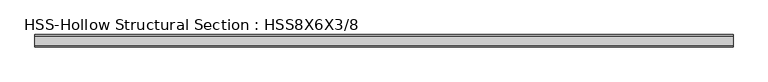
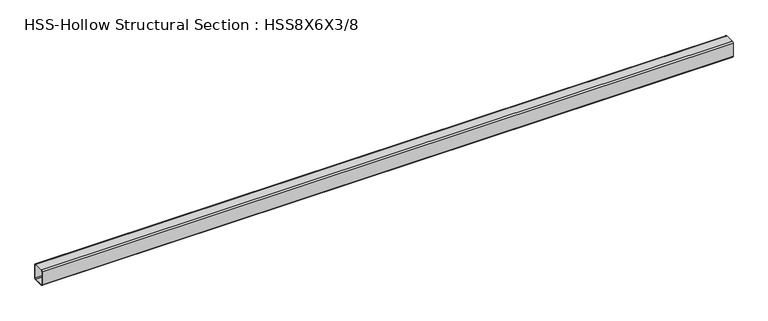
"""IFC4 building model written with IfcOpenShell, lengths in millimetres: beam geometry, HSS-Hollow Structural Section : HSS8X6X3/8."""

import ifcopenshell
import ifcopenshell.guid

model = None  # the IFC model being written
_history = None  # IfcOwnerHistory: only IFC2X3 demands one
_inside = {}  # id of a spatial element -> (the spatial element, [elements in it])
_under = {}  # id of a project, library or spatial element -> (it, [spatial elements below it])
_declared = {}  # id of a project -> (the project, [libraries it declares])
_typed = {}  # id of a type object -> (the type object, [elements of that type])
_made_of = {}  # id of a material, layer set ... -> (it, [elements and type objects made of it])


def new_model(schema):
    """Start an empty IFC model of exactly this schema.

    Asked for "IFC4X3", IfcOpenShell would pick the latest addendum, in which some entities
    have other attributes; the version numbers below select the first issue.
    IFC2X3 requires an IfcOwnerHistory on every rooted entity: one is made here for all.
    """
    global model, _history
    if schema == "IFC4X3":
        model = ifcopenshell.file(schema_version=(4, 3, 0, 0))
    else:
        model = ifcopenshell.file(schema=schema)
    _inside.clear()
    _under.clear()
    _declared.clear()
    _typed.clear()
    _made_of.clear()
    _history = None
    if model.schema == "IFC2X3":
        org = make("IfcOrganization", Name="unknown")
        user = make(
            "IfcPersonAndOrganization",
            ThePerson=make("IfcPerson", FamilyName="unknown"),
            TheOrganization=org,
        )
        app = make(
            "IfcApplication",
            ApplicationDeveloper=org,
            Version="unknown",
            ApplicationFullName="unknown",
            ApplicationIdentifier="unknown",
        )
        _history = make(
            "IfcOwnerHistory",
            OwningUser=user,
            OwningApplication=app,
            ChangeAction="ADDED",
            CreationDate=0,
        )
    return model


def make(cls, **values):
    """One entity of the class cls with the attributes given. An attribute that is None is left unset."""
    return model.create_entity(
        cls, **{name: value for name, value in values.items() if value is not None}
    )


def rooted(cls, **values):
    """An entity with a GlobalId (a new one), such as an element, a storey or a relation."""
    return make(cls, GlobalId=ifcopenshell.guid.new(), OwnerHistory=_history, **values)


def si_unit(unit_type, name, prefix=None):
    """IfcSIUnit, for example si_unit("LENGTHUNIT", "METRE", prefix="MILLI")."""
    return make("IfcSIUnit", UnitType=unit_type, Prefix=prefix, Name=name)


def assignment(units):
    """IfcUnitAssignment: the units of a project."""
    return None if units is None else make("IfcUnitAssignment", Units=units)


def point(xyz):
    """IfcCartesianPoint."""
    return None if xyz is None else make("IfcCartesianPoint", Coordinates=xyz)


def direction(xyz):
    """IfcDirection."""
    return None if xyz is None else make("IfcDirection", DirectionRatios=xyz)


def frame(location, z_axis=None, x_axis=None):
    """IfcAxis2Placement3D, a coordinate frame: its origin and axes. An axis left out is left unset."""
    return make(
        "IfcAxis2Placement3D",
        Location=point(location),
        Axis=direction(z_axis),
        RefDirection=direction(x_axis),
    )


def frame_2d(location, x_axis=None):
    """IfcAxis2Placement2D, a coordinate frame in the plane: its origin and x axis."""
    return make(
        "IfcAxis2Placement2D", Location=point(location), RefDirection=direction(x_axis)
    )


def origin():
    """The frame at (0, 0, 0) with its axes left unset."""
    return frame((0.0, 0.0, 0.0))


def place(relative_to, where):
    """IfcLocalPlacement: puts the frame where relative to a parent placement (None: the world)."""
    return make(
        "IfcLocalPlacement", PlacementRelTo=relative_to, RelativePlacement=where
    )


def context(
    kind, dimensions, precision=None, world=None, true_north=None, identifier=None
):
    """IfcGeometricRepresentationContext, for example the 3D "Model" context."""
    return make(
        "IfcGeometricRepresentationContext",
        ContextIdentifier=identifier,
        ContextType=kind,
        CoordinateSpaceDimension=dimensions,
        Precision=precision,
        WorldCoordinateSystem=world,
        TrueNorth=true_north,
    )


def project(units=None, contexts=None):
    """IfcProject with its units and contexts."""
    return rooted(
        "IfcProject",
        Name="project",
        RepresentationContexts=contexts,
        UnitsInContext=assignment(units),
    )


def spatial(cls, under=None, at=None, **own):
    """A site, building, storey or space (cls), placed at a placement, below another one or the project."""
    s = rooted(cls, ObjectPlacement=at, **own)
    if under is not None:
        _under.setdefault(under.id(), (under, []))[1].append(s)
    return s


def polyline(points):
    """IfcPolyline through the points."""
    return make("IfcPolyline", Points=[point(p) for p in points])


def circle_curve(where, radius):
    """IfcCircle in the frame where."""
    return make("IfcCircle", Position=where, Radius=radius)


def trimmed(basis, trim1, trim2, sense, master):
    """IfcTrimmedCurve: the piece of a basis curve between two trims."""
    return make(
        "IfcTrimmedCurve",
        BasisCurve=basis,
        Trim1=trim1,
        Trim2=trim2,
        SenseAgreement=sense,
        MasterRepresentation=master,
    )


def segment(curve, same_sense, transition):
    """IfcCompositeCurveSegment."""
    return make(
        "IfcCompositeCurveSegment",
        Transition=transition,
        SameSense=same_sense,
        ParentCurve=curve,
    )


def composite_curve(segments, self_intersect=None):
    """IfcCompositeCurve: segments joined end to end."""
    return make("IfcCompositeCurve", Segments=segments, SelfIntersect=self_intersect)


def outline(outer, holes=None, kind="AREA"):
    """IfcArbitraryClosedProfileDef: a profile drawn as a closed curve; with holes, ...WithVoids."""
    if holes is None:
        return make("IfcArbitraryClosedProfileDef", ProfileType=kind, OuterCurve=outer)
    return make(
        "IfcArbitraryProfileDefWithVoids",
        ProfileType=kind,
        OuterCurve=outer,
        InnerCurves=holes,
    )


def extrude(swept, where, along, depth):
    """IfcExtrudedAreaSolid: the profile swept, set in the frame where, extruded along a direction by depth."""
    return make(
        "IfcExtrudedAreaSolid",
        SweptArea=swept,
        Position=where,
        ExtrudedDirection=direction(along),
        Depth=depth,
    )


def shape(context_of_items, identifier, shape_type, items):
    """IfcShapeRepresentation: the items that make up one representation, for example the "Body"."""
    return make(
        "IfcShapeRepresentation",
        ContextOfItems=context_of_items,
        RepresentationIdentifier=identifier,
        RepresentationType=shape_type,
        Items=items,
    )


def source(mapping_origin, context_of_items, identifier, shape_type, items):
    """IfcRepresentationMap: a shape defined once, which mapped items show again and again."""
    return make(
        "IfcRepresentationMap",
        MappingOrigin=mapping_origin,
        MappedRepresentation=shape(context_of_items, identifier, shape_type, items),
    )


def transform(
    local_origin,
    x_axis=None,
    y_axis=None,
    z_axis=None,
    scale=None,
    scale2=None,
    scale3=None,
    uniform=True,
):
    """IfcCartesianTransformationOperator3D, or its non-uniform kind. x_axis, y_axis, z_axis: its Axis1, 2, 3."""
    if uniform:
        return make(
            "IfcCartesianTransformationOperator3D",
            Axis1=direction(x_axis),
            Axis2=direction(y_axis),
            LocalOrigin=point(local_origin),
            Scale=scale,
            Axis3=direction(z_axis),
        )
    return make(
        "IfcCartesianTransformationOperator3DnonUniform",
        Axis1=direction(x_axis),
        Axis2=direction(y_axis),
        LocalOrigin=point(local_origin),
        Scale=scale,
        Axis3=direction(z_axis),
        Scale2=scale2,
        Scale3=scale3,
    )


def mapped(mapping_source, mapping_target):
    """IfcMappedItem: shows the shape of a source again, moved by a transform."""
    return make(
        "IfcMappedItem", MappingSource=mapping_source, MappingTarget=mapping_target
    )


def made_of(thing, what):
    """Note that an element or type object is made of a material, layer set ...; save() writes the relation."""
    if what is not None:
        _made_of.setdefault(what.id(), (what, []))[1].append(thing)
    return thing


def element(
    cls,
    number,
    at=None,
    inside=None,
    cuts=None,
    type_object=None,
    material=None,
    context=None,
    identifier="Body",
    shape_type=None,
    held_by="IfcProductDefinitionShape",
    body=None,
    shapes=None,
    **own,
):
    """One element of the class cls, such as IfcWall. Its Tag is "e" and its number.

    at: its placement. inside: the storey or other place that contains it. cuts: it is an
    opening in that element (IfcRelVoidsElement). A single representation is given by context,
    identifier, shape_type and body (its items); several are given by shapes. held_by: the class
    of the entity that holds the representations. save() writes the other relations.
    """
    e = rooted(cls, Tag="e%d" % number, ObjectPlacement=at, **own)
    if body is not None:
        shapes = [shape(context, identifier, shape_type, body)]
    if shapes is not None:
        e.Representation = make(held_by, Representations=shapes)
    if inside is not None:
        _inside.setdefault(inside.id(), (inside, []))[1].append(e)
    if cuts is not None:
        rooted(
            "IfcRelVoidsElement", RelatingBuildingElement=cuts, RelatedOpeningElement=e
        )
    if type_object is not None:
        _typed.setdefault(type_object.id(), (type_object, []))[1].append(e)
    return made_of(e, material)


def aggregate(whole, parts):
    """IfcRelAggregates: a whole, such as a stair, and the parts it consists of."""
    return rooted("IfcRelAggregates", RelatingObject=whole, RelatedObjects=parts)


def save(model, path):
    """Write the relations noted so far, then the file.

    IfcRelAggregates (storeys below a building ...), IfcRelContainedInSpatialStructure (elements
    in a storey), IfcRelDefinesByType, IfcRelAssociatesMaterial and IfcRelDeclares: one each for
    every whole, place, type object, material and project.
    """
    for whole, parts in _under.values():
        aggregate(whole, parts)
    for where, things in _inside.values():
        rooted(
            "IfcRelContainedInSpatialStructure",
            RelatedElements=things,
            RelatingStructure=where,
        )
    for kind, things in _typed.values():
        rooted("IfcRelDefinesByType", RelatedObjects=things, RelatingType=kind)
    for what, things in _made_of.values():
        rooted("IfcRelAssociatesMaterial", RelatedObjects=things, RelatingMaterial=what)
    for by, libraries in _declared.values():
        rooted("IfcRelDeclares", RelatingContext=by, RelatedDefinitions=libraries)
    model.write(path)


def hss_hollow_structural_section_hss8x6x3_8_e9ada6d6(model_context):
    return source(origin(), model_context, "Body", "SweptSolid", [
        extrude(outline(composite_curve([segment(polyline([(76.2, 83.8708), (76.2, -83.8708)]), True, "CONTINUOUS"), segment(trimmed(circle_curve(frame_2d((58.4708, -83.8708)), 17.7292), [point((76.2, -83.8708))], [point((58.4708, -101.6))], False, "CARTESIAN"), True, "CONTINUOUS"), segment(polyline([(58.4708, -101.6), (-58.4708, -101.6)]), True, "CONTINUOUS"), segment(trimmed(circle_curve(frame_2d((-58.4708, -83.8708)), 17.7292), [point((-58.4708, -101.6))], [point((-76.2, -83.8708))], False, "CARTESIAN"), True, "CONTINUOUS"), segment(polyline([(-76.2, -83.8708), (-76.2, 83.8708)]), True, "CONTINUOUS"), segment(trimmed(circle_curve(frame_2d((-58.4708, 83.8708)), 17.7292), [point((-76.2, 83.8708))], [point((-58.4708, 101.6))], False, "CARTESIAN"), True, "CONTINUOUS"), segment(polyline([(-58.4708, 101.6), (58.4708, 101.6)]), True, "CONTINUOUS"), segment(trimmed(circle_curve(frame_2d((58.4708, 83.8708)), 17.7292), [point((58.4708, 101.6))], [point((76.2, 83.8708))], False, "CARTESIAN"), True, "CONTINUOUS")], self_intersect=False), holes=[composite_curve([segment(trimmed(circle_curve(frame_2d((-58.4708, 83.8708)), 8.8646), [point((-58.4708, 92.7354))], [point((-67.3354, 83.8708))], True, "CARTESIAN"), True, "CONTINUOUS"), segment(polyline([(-67.3354, 83.8708), (-67.3354, -83.8708)]), True, "CONTINUOUS"), segment(trimmed(circle_curve(frame_2d((-58.4708, -83.8708)), 8.8646), [point((-67.3354, -83.8708))], [point((-58.4708, -92.7354))], True, "CARTESIAN"), True, "CONTINUOUS"), segment(polyline([(-58.4708, -92.7354), (58.4708, -92.7354)]), True, "CONTINUOUS"), segment(trimmed(circle_curve(frame_2d((58.4708, -83.8708)), 8.8646), [point((58.4708, -92.7354))], [point((67.3354, -83.8708))], True, "CARTESIAN"), True, "CONTINUOUS"), segment(polyline([(67.3354, -83.8708), (67.3354, 83.8708)]), True, "CONTINUOUS"), segment(trimmed(circle_curve(frame_2d((58.4708, 83.8708)), 8.8646), [point((67.3354, 83.8708))], [point((58.4708, 92.7354))], True, "CARTESIAN"), True, "CONTINUOUS"), segment(polyline([(58.4708, 92.7354), (-58.4708, 92.7354)]), True, "CONTINUOUS")], self_intersect=False)]), frame((-4297.3625, 0.0, 0.0), z_axis=(1.0, 0.0, 0.0), x_axis=(0.0, 1.0, 0.0)), (0.0, 0.0, 1.0), 8505.825),
    ])


if __name__ == "__main__":
    model = new_model("IFC4")
    model_context = context("Model", 3, world=origin())
    ifc_project = project(units=[si_unit("LENGTHUNIT", "METRE", prefix="MILLI")], contexts=[model_context])
    site = spatial("IfcSite", under=ifc_project)
    building = spatial("IfcBuilding", under=site)
    placement = place(None, origin())
    hss_hollow_structural_section_hss8x6x3_8_shape = hss_hollow_structural_section_hss8x6x3_8_e9ada6d6(model_context)
    element("IfcBeam", 1, ObjectType="HSS-Hollow Structural Section : HSS8X6X3/8", at=placement, inside=building, context=model_context, shape_type="MappedRepresentation", body=[
        mapped(hss_hollow_structural_section_hss8x6x3_8_shape, transform((0.0, 0.0, 0.0), x_axis=(1.0, 0.0, 0.0), y_axis=(0.0, 1.0, 0.0), z_axis=(0.0, 0.0, 1.0))),
    ])
    save(model, "model.ifc")
